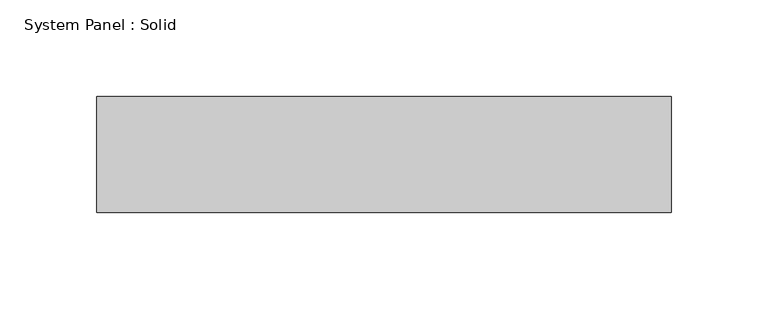
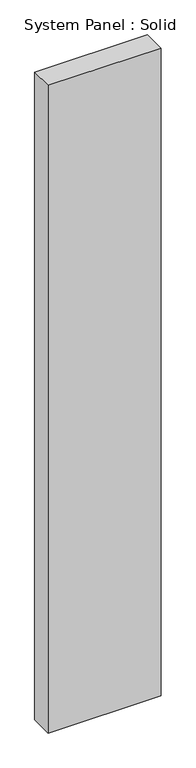
"""IFC4 building model written with IfcOpenShell, lengths in millimetres: plate geometry, System Panel : Solid."""

from ifc_helpers import new_model, si_unit, origin, origin_with_axes, place, context, project, spatial, polyline, outline, extrude, source, transform, mapped, element, save


def system_panel_solid_b684079d(model_context):
    return source(origin(), model_context, "Body", "SweptSolid", [
        extrude(outline(polyline([(148.5714287, -10.5), (-148.5714287, -10.5), (-148.5714287, 49.5), (148.5714287, 49.5), (148.5714287, -10.5)])), origin_with_axes(), (0.0, 0.0, 1.0), 1800.0),
    ])


if __name__ == "__main__":
    model = new_model("IFC4")
    model_context = context("Model", 3, world=origin())
    ifc_project = project(units=[si_unit("LENGTHUNIT", "METRE", prefix="MILLI")], contexts=[model_context])
    site = spatial("IfcSite", under=ifc_project)
    building = spatial("IfcBuilding", under=site)
    placement = place(None, origin())
    system_panel_solid_shape = system_panel_solid_b684079d(model_context)
    element("IfcPlate", 1, ObjectType="System Panel : Solid", at=placement, inside=building, context=model_context, shape_type="MappedRepresentation", body=[
        mapped(system_panel_solid_shape, transform((0.0, 0.0, 0.0), x_axis=(1.0, 0.0, 0.0), y_axis=(0.0, 1.0, 0.0), z_axis=(0.0, 0.0, 1.0))),
    ])
    save(model, "model.ifc")
